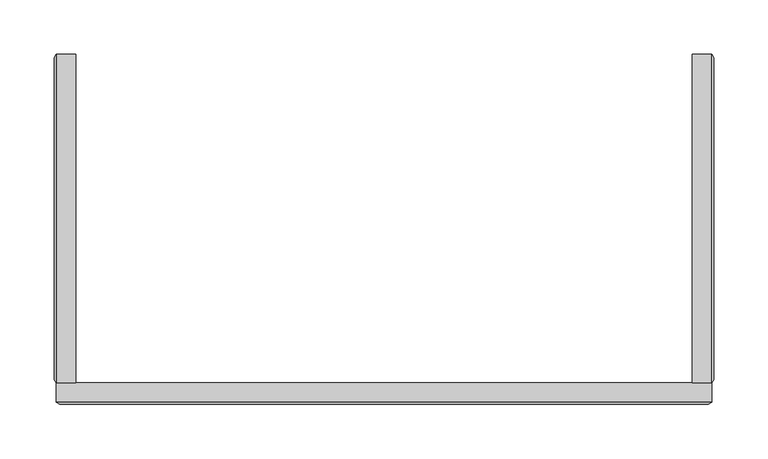
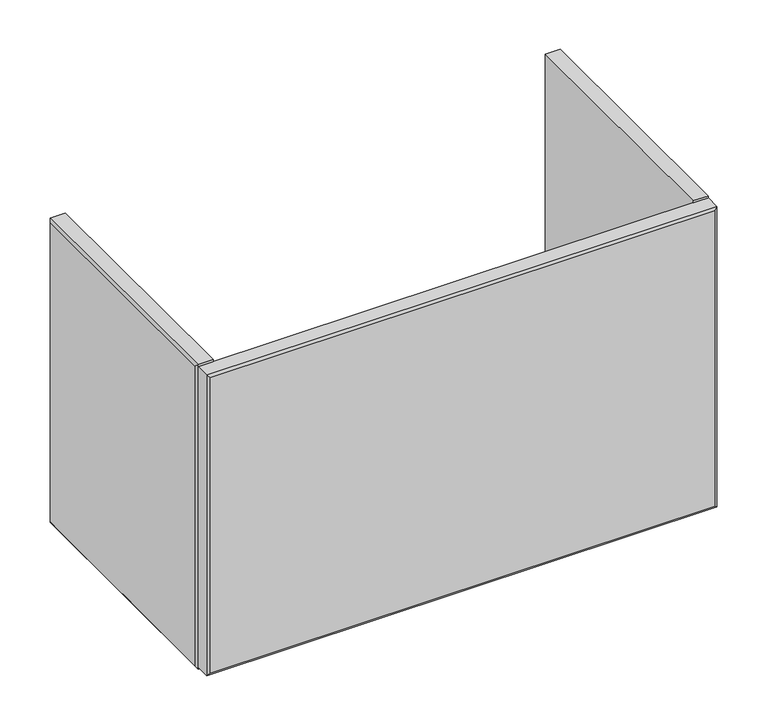
"""IFC4 building model written with IfcOpenShell, lengths in millimetres: furniture geometry."""

from ifc_helpers import new_model, si_unit, origin, place, context, project, spatial, faceted_brep, source, transform, mapped, element, save


def furniture_ef902358(model_context):
    return source(origin(), model_context, "Body", "Brep", [
        faceted_brep([(-282.888965, -324.2665622, 506.095), (-265.1648424, -324.2665622, 506.095), (-265.1648424, -324.2665622, 887.095), (-282.888965, -324.2665622, 887.095), (-282.888965, -21.75256, 887.095), (-265.1648424, -21.75256, 887.095), (-265.1648424, -21.75256, 506.095), (-282.888965, -21.75256, 506.095), (-284.722842, -24.9275601, 883.9142302), (-284.722842, -321.0915561, 883.9142302), (-284.722842, -24.9275601, 509.2757699), (-284.722842, -321.0915561, 509.2757699)], [[[0, 1, 2, 3]], [[4, 5, 6, 7]], [[3, 4, 8, 9]], [[9, 8, 10, 11]], [[1, 0, 7, 6]], [[2, 1, 6, 5]], [[3, 2, 5, 4]], [[7, 0, 11, 10]], [[4, 7, 10, 8]], [[0, 3, 9, 11]]]),
        faceted_brep([(302.6369231, -324.2665622, 506.095), (320.3643748, -324.2665622, 506.095), (320.3643748, -324.2665622, 887.095), (302.6369231, -324.2665622, 887.095), (302.6369231, -21.75256, 506.095), (302.6369231, -21.75256, 887.095), (320.3643748, -21.75256, 887.095), (320.3643748, -21.75256, 506.095), (322.1982518, -321.0915561, 509.2757699), (322.1982518, -24.9275601, 509.2757699), (322.1982518, -24.9275601, 883.9142302), (322.1982518, -321.0915561, 883.9142302)], [[[0, 1, 2, 3]], [[4, 5, 6, 7]], [[8, 9, 10, 11]], [[6, 2, 11, 10]], [[3, 2, 6, 5]], [[0, 3, 5, 4]], [[1, 0, 4, 7]], [[1, 7, 9, 8]], [[2, 1, 8, 11]], [[7, 6, 10, 9]]]),
        faceted_brep([(-282.888965, -341.9906802, 884.7454886), (-282.888965, -324.2665622, 884.7454886), (-282.888965, -324.2665622, 508.4445114), (-282.888965, -341.9906802, 508.4445114), (320.3643748, -341.9906802, 508.4445114), (320.3643748, -324.2665622, 508.4445114), (320.3643748, -324.2665622, 884.7454886), (320.3643748, -341.9906802, 884.7454886), (-279.7139635, -343.8166225, 881.5705007), (317.1893733, -343.8166225, 881.5705007), (317.1893733, -343.8166225, 511.6194993), (-279.7139635, -343.8166225, 511.6194993)], [[[0, 1, 2, 3]], [[4, 5, 6, 7]], [[7, 0, 8, 9]], [[1, 0, 7, 6]], [[2, 1, 6, 5]], [[3, 2, 5, 4]], [[3, 4, 10, 11]], [[9, 8, 11, 10]], [[4, 7, 9, 10]], [[0, 3, 11, 8]]]),
    ])


if __name__ == "__main__":
    model = new_model("IFC4")
    model_context = context("Model", 3, world=origin())
    ifc_project = project(units=[si_unit("LENGTHUNIT", "METRE", prefix="MILLI")], contexts=[model_context])
    site = spatial("IfcSite", under=ifc_project)
    building = spatial("IfcBuilding", under=site)
    placement = place(None, origin())
    furniture_shape = furniture_ef902358(model_context)
    element("IfcFurniture", 1, at=placement, inside=building, context=model_context, shape_type="MappedRepresentation", body=[
        mapped(furniture_shape, transform((0.0, 0.0, 0.0), x_axis=(1.0, 0.0, 0.0), y_axis=(0.0, 1.0, 0.0), z_axis=(0.0, 0.0, 1.0))),
    ])
    save(model, "model.ifc")
